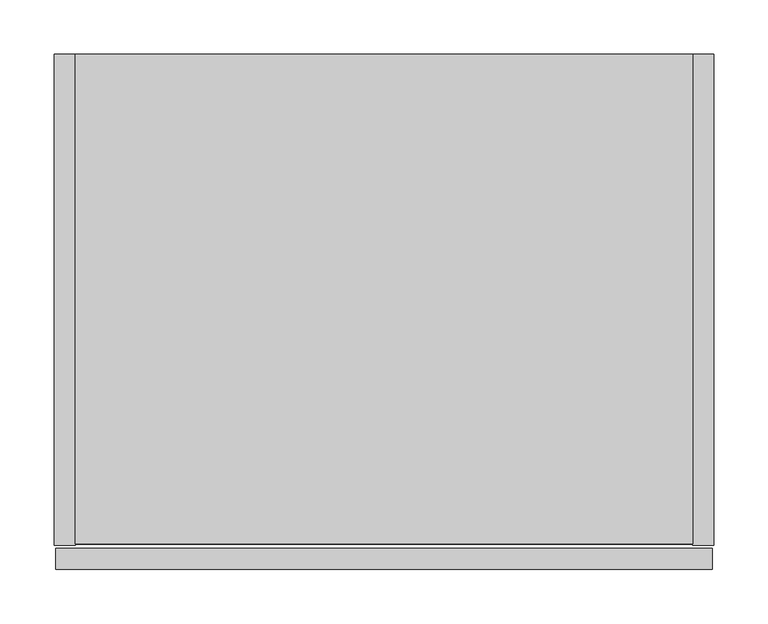
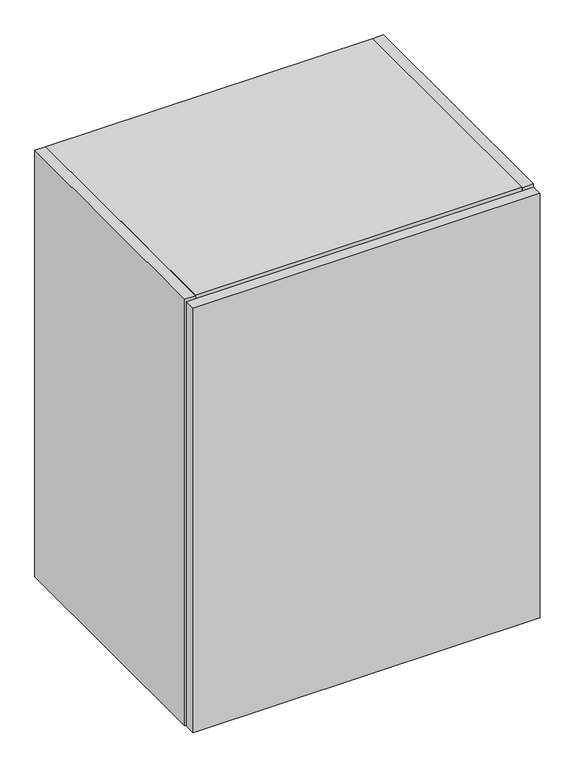
"""IFC4 building model written with IfcOpenShell, lengths in millimetres: furniture geometry."""

from ifc_helpers import new_model, si_unit, frame, origin, place, context, project, spatial, polyline, outline, extrude, source, transform, mapped, element, save


def furniture_18495f22(model_context):
    return source(origin(), model_context, "Body", "SweptSolid", [
        extrude(outline(polyline([(590.296, 0.0), (590.296, -19.304), (19.304, -19.304), (19.304, 0.0), (590.296, 0.0)])), frame((0.0, 0.0, 120.904), z_axis=(0.0, 0.0, 1.0), x_axis=(1.0, 0.0, 0.0)), (0.0, 0.0, 1.0), 748.792),
        extrude(outline(polyline([(590.296, -453.0344), (19.304, -453.0344), (19.304, 0.0), (590.296, 0.0), (590.296, -453.0344)])), frame((0.0, 0.0, 869.696), z_axis=(0.0, 0.0, 1.0), x_axis=(1.0, 0.0, 0.0)), (0.0, 0.0, 1.0), 19.304),
        extrude(outline(polyline([(19.304, 0.0), (19.304, -454.025), (0.0, -454.025), (0.0, 0.0), (19.304, 0.0)])), frame((0.0, 0.0, 101.6), z_axis=(0.0, 0.0, 1.0), x_axis=(1.0, 0.0, 0.0)), (0.0, 0.0, 1.0), 787.4),
        extrude(outline(polyline([(590.296, 0.0), (609.6, 0.0), (609.6, -454.025), (590.296, -454.025), (590.296, 0.0)])), frame((0.0, 0.0, 101.6), z_axis=(0.0, 0.0, 1.0), x_axis=(1.0, 0.0, 0.0)), (0.0, 0.0, 1.0), 787.4),
        extrude(outline(polyline([(590.296, 0.0), (590.296, -453.0344), (19.304, -453.0344), (19.304, 0.0), (590.296, 0.0)])), frame((0.0, 0.0, 101.6), z_axis=(0.0, 0.0, 1.0), x_axis=(1.0, 0.0, 0.0)), (0.0, 0.0, 1.0), 19.304),
        extrude(outline(polyline([(608.0125, -476.504), (1.5875, -476.504), (1.5875, -457.2), (608.0125, -457.2), (608.0125, -476.504)])), frame((0.0, 0.0, 101.6), z_axis=(0.0, 0.0, 1.0), x_axis=(1.0, 0.0, 0.0)), (0.0, 0.0, 1.0), 784.225),
    ])


if __name__ == "__main__":
    model = new_model("IFC4")
    model_context = context("Model", 3, world=origin())
    ifc_project = project(units=[si_unit("LENGTHUNIT", "METRE", prefix="MILLI")], contexts=[model_context])
    site = spatial("IfcSite", under=ifc_project)
    building = spatial("IfcBuilding", under=site)
    placement = place(None, origin())
    furniture_shape = furniture_18495f22(model_context)
    element("IfcFurniture", 1, at=placement, inside=building, context=model_context, shape_type="MappedRepresentation", body=[
        mapped(furniture_shape, transform((0.0, 0.0, 0.0), x_axis=(1.0, 0.0, 0.0), y_axis=(0.0, 1.0, 0.0), z_axis=(0.0, 0.0, 1.0))),
    ])
    save(model, "model.ifc")
